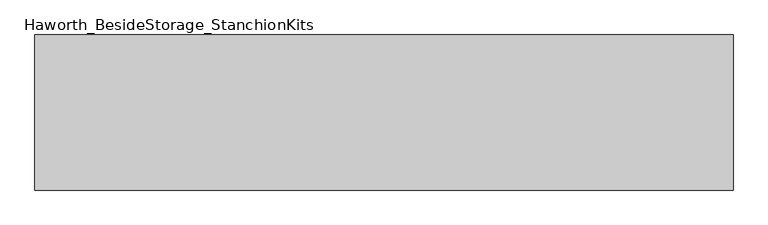
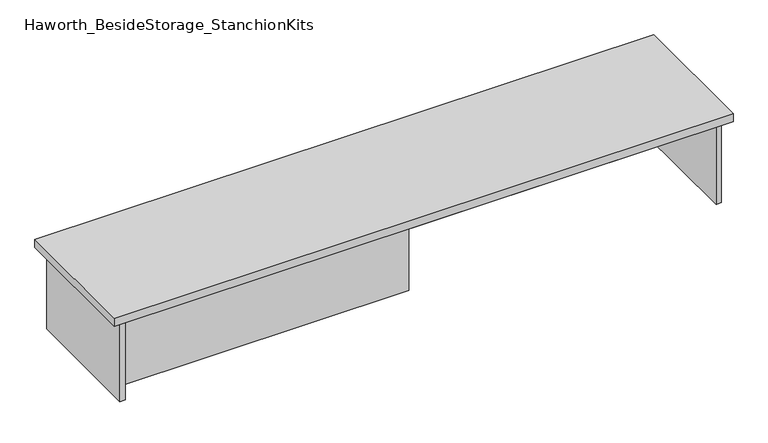
"""IFC4 building model written with IfcOpenShell, lengths in millimetres: furniture geometry, Haworth_BesideStorage_StanchionKits."""

import ifcopenshell
import ifcopenshell.guid

model = None  # the IFC model being written
_history = None  # IfcOwnerHistory: only IFC2X3 demands one
_inside = {}  # id of a spatial element -> (the spatial element, [elements in it])
_under = {}  # id of a project, library or spatial element -> (it, [spatial elements below it])
_declared = {}  # id of a project -> (the project, [libraries it declares])
_typed = {}  # id of a type object -> (the type object, [elements of that type])
_made_of = {}  # id of a material, layer set ... -> (it, [elements and type objects made of it])


def new_model(schema):
    """Start an empty IFC model of exactly this schema.

    Asked for "IFC4X3", IfcOpenShell would pick the latest addendum, in which some entities
    have other attributes; the version numbers below select the first issue.
    IFC2X3 requires an IfcOwnerHistory on every rooted entity: one is made here for all.
    """
    global model, _history
    if schema == "IFC4X3":
        model = ifcopenshell.file(schema_version=(4, 3, 0, 0))
    else:
        model = ifcopenshell.file(schema=schema)
    _inside.clear()
    _under.clear()
    _declared.clear()
    _typed.clear()
    _made_of.clear()
    _history = None
    if model.schema == "IFC2X3":
        org = make("IfcOrganization", Name="unknown")
        user = make(
            "IfcPersonAndOrganization",
            ThePerson=make("IfcPerson", FamilyName="unknown"),
            TheOrganization=org,
        )
        app = make(
            "IfcApplication",
            ApplicationDeveloper=org,
            Version="unknown",
            ApplicationFullName="unknown",
            ApplicationIdentifier="unknown",
        )
        _history = make(
            "IfcOwnerHistory",
            OwningUser=user,
            OwningApplication=app,
            ChangeAction="ADDED",
            CreationDate=0,
        )
    return model


def make(cls, **values):
    """One entity of the class cls with the attributes given. An attribute that is None is left unset."""
    return model.create_entity(
        cls, **{name: value for name, value in values.items() if value is not None}
    )


def rooted(cls, **values):
    """An entity with a GlobalId (a new one), such as an element, a storey or a relation."""
    return make(cls, GlobalId=ifcopenshell.guid.new(), OwnerHistory=_history, **values)


def si_unit(unit_type, name, prefix=None):
    """IfcSIUnit, for example si_unit("LENGTHUNIT", "METRE", prefix="MILLI")."""
    return make("IfcSIUnit", UnitType=unit_type, Prefix=prefix, Name=name)


def assignment(units):
    """IfcUnitAssignment: the units of a project."""
    return None if units is None else make("IfcUnitAssignment", Units=units)


def point(xyz):
    """IfcCartesianPoint."""
    return None if xyz is None else make("IfcCartesianPoint", Coordinates=xyz)


def direction(xyz):
    """IfcDirection."""
    return None if xyz is None else make("IfcDirection", DirectionRatios=xyz)


def frame(location, z_axis=None, x_axis=None):
    """IfcAxis2Placement3D, a coordinate frame: its origin and axes. An axis left out is left unset."""
    return make(
        "IfcAxis2Placement3D",
        Location=point(location),
        Axis=direction(z_axis),
        RefDirection=direction(x_axis),
    )


def origin():
    """The frame at (0, 0, 0) with its axes left unset."""
    return frame((0.0, 0.0, 0.0))


def place(relative_to, where):
    """IfcLocalPlacement: puts the frame where relative to a parent placement (None: the world)."""
    return make(
        "IfcLocalPlacement", PlacementRelTo=relative_to, RelativePlacement=where
    )


def context(
    kind, dimensions, precision=None, world=None, true_north=None, identifier=None
):
    """IfcGeometricRepresentationContext, for example the 3D "Model" context."""
    return make(
        "IfcGeometricRepresentationContext",
        ContextIdentifier=identifier,
        ContextType=kind,
        CoordinateSpaceDimension=dimensions,
        Precision=precision,
        WorldCoordinateSystem=world,
        TrueNorth=true_north,
    )


def project(units=None, contexts=None):
    """IfcProject with its units and contexts."""
    return rooted(
        "IfcProject",
        Name="project",
        RepresentationContexts=contexts,
        UnitsInContext=assignment(units),
    )


def spatial(cls, under=None, at=None, **own):
    """A site, building, storey or space (cls), placed at a placement, below another one or the project."""
    s = rooted(cls, ObjectPlacement=at, **own)
    if under is not None:
        _under.setdefault(under.id(), (under, []))[1].append(s)
    return s


def polyline(points):
    """IfcPolyline through the points."""
    return make("IfcPolyline", Points=[point(p) for p in points])


def outline(outer, holes=None, kind="AREA"):
    """IfcArbitraryClosedProfileDef: a profile drawn as a closed curve; with holes, ...WithVoids."""
    if holes is None:
        return make("IfcArbitraryClosedProfileDef", ProfileType=kind, OuterCurve=outer)
    return make(
        "IfcArbitraryProfileDefWithVoids",
        ProfileType=kind,
        OuterCurve=outer,
        InnerCurves=holes,
    )


def extrude(swept, where, along, depth):
    """IfcExtrudedAreaSolid: the profile swept, set in the frame where, extruded along a direction by depth."""
    return make(
        "IfcExtrudedAreaSolid",
        SweptArea=swept,
        Position=where,
        ExtrudedDirection=direction(along),
        Depth=depth,
    )


def shape(context_of_items, identifier, shape_type, items):
    """IfcShapeRepresentation: the items that make up one representation, for example the "Body"."""
    return make(
        "IfcShapeRepresentation",
        ContextOfItems=context_of_items,
        RepresentationIdentifier=identifier,
        RepresentationType=shape_type,
        Items=items,
    )


def source(mapping_origin, context_of_items, identifier, shape_type, items):
    """IfcRepresentationMap: a shape defined once, which mapped items show again and again."""
    return make(
        "IfcRepresentationMap",
        MappingOrigin=mapping_origin,
        MappedRepresentation=shape(context_of_items, identifier, shape_type, items),
    )


def transform(
    local_origin,
    x_axis=None,
    y_axis=None,
    z_axis=None,
    scale=None,
    scale2=None,
    scale3=None,
    uniform=True,
):
    """IfcCartesianTransformationOperator3D, or its non-uniform kind. x_axis, y_axis, z_axis: its Axis1, 2, 3."""
    if uniform:
        return make(
            "IfcCartesianTransformationOperator3D",
            Axis1=direction(x_axis),
            Axis2=direction(y_axis),
            LocalOrigin=point(local_origin),
            Scale=scale,
            Axis3=direction(z_axis),
        )
    return make(
        "IfcCartesianTransformationOperator3DnonUniform",
        Axis1=direction(x_axis),
        Axis2=direction(y_axis),
        LocalOrigin=point(local_origin),
        Scale=scale,
        Axis3=direction(z_axis),
        Scale2=scale2,
        Scale3=scale3,
    )


def mapped(mapping_source, mapping_target):
    """IfcMappedItem: shows the shape of a source again, moved by a transform."""
    return make(
        "IfcMappedItem", MappingSource=mapping_source, MappingTarget=mapping_target
    )


def made_of(thing, what):
    """Note that an element or type object is made of a material, layer set ...; save() writes the relation."""
    if what is not None:
        _made_of.setdefault(what.id(), (what, []))[1].append(thing)
    return thing


def element(
    cls,
    number,
    at=None,
    inside=None,
    cuts=None,
    type_object=None,
    material=None,
    context=None,
    identifier="Body",
    shape_type=None,
    held_by="IfcProductDefinitionShape",
    body=None,
    shapes=None,
    **own,
):
    """One element of the class cls, such as IfcWall. Its Tag is "e" and its number.

    at: its placement. inside: the storey or other place that contains it. cuts: it is an
    opening in that element (IfcRelVoidsElement). A single representation is given by context,
    identifier, shape_type and body (its items); several are given by shapes. held_by: the class
    of the entity that holds the representations. save() writes the other relations.
    """
    e = rooted(cls, Tag="e%d" % number, ObjectPlacement=at, **own)
    if body is not None:
        shapes = [shape(context, identifier, shape_type, body)]
    if shapes is not None:
        e.Representation = make(held_by, Representations=shapes)
    if inside is not None:
        _inside.setdefault(inside.id(), (inside, []))[1].append(e)
    if cuts is not None:
        rooted(
            "IfcRelVoidsElement", RelatingBuildingElement=cuts, RelatedOpeningElement=e
        )
    if type_object is not None:
        _typed.setdefault(type_object.id(), (type_object, []))[1].append(e)
    return made_of(e, material)


def aggregate(whole, parts):
    """IfcRelAggregates: a whole, such as a stair, and the parts it consists of."""
    return rooted("IfcRelAggregates", RelatingObject=whole, RelatedObjects=parts)


def save(model, path):
    """Write the relations noted so far, then the file.

    IfcRelAggregates (storeys below a building ...), IfcRelContainedInSpatialStructure (elements
    in a storey), IfcRelDefinesByType, IfcRelAssociatesMaterial and IfcRelDeclares: one each for
    every whole, place, type object, material and project.
    """
    for whole, parts in _under.values():
        aggregate(whole, parts)
    for where, things in _inside.values():
        rooted(
            "IfcRelContainedInSpatialStructure",
            RelatedElements=things,
            RelatingStructure=where,
        )
    for kind, things in _typed.values():
        rooted("IfcRelDefinesByType", RelatedObjects=things, RelatingType=kind)
    for what, things in _made_of.values():
        rooted("IfcRelAssociatesMaterial", RelatedObjects=things, RelatingMaterial=what)
    for by, libraries in _declared.values():
        rooted("IfcRelDeclares", RelatingContext=by, RelatedDefinitions=libraries)
    model.write(path)


def haworth_besidestorage_stanchionkits_477d3e7e(model_context):
    return source(origin(), model_context, "Body", "SweptSolid", [
        extrude(outline(polyline([(1076.325, 0.0), (1076.325, -406.4), (-752.475, -406.4), (-752.475, 0.0), (1076.325, 0.0)])), frame((0.0, 0.0, 685.8), z_axis=(0.0, 0.0, 1.0), x_axis=(1.0, 0.0, 0.0)), (0.0, 0.0, 1.0), 25.4),
        extrude(outline(polyline([(161.925, -76.2), (1035.05, -76.2), (1035.05, -92.075), (161.925, -92.075), (161.925, -76.2)])), frame((0.0, 0.0, 431.8), z_axis=(0.0, 0.0, 1.0), x_axis=(1.0, 0.0, 0.0)), (0.0, 0.0, 1.0), 254.0),
        extrude(outline(polyline([(161.925, -314.325), (161.925, -330.2), (-711.2, -330.2), (-711.2, -314.325), (161.925, -314.325)])), frame((0.0, 0.0, 431.8), z_axis=(0.0, 0.0, 1.0), x_axis=(1.0, 0.0, 0.0)), (0.0, 0.0, 1.0), 254.0),
        extrude(outline(polyline([(1050.925, -390.525), (1035.05, -390.525), (1035.05, -15.875), (1050.925, -15.875), (1050.925, -390.525)])), frame((0.0, 0.0, 431.8), z_axis=(0.0, 0.0, 1.0), x_axis=(1.0, 0.0, 0.0)), (0.0, 0.0, 1.0), 254.0),
        extrude(outline(polyline([(-711.2, -390.525), (-727.075, -390.525), (-727.075, -15.875), (-711.2, -15.875), (-711.2, -390.525)])), frame((0.0, 0.0, 431.8), z_axis=(0.0, 0.0, 1.0), x_axis=(1.0, 0.0, 0.0)), (0.0, 0.0, 1.0), 254.0),
    ])


if __name__ == "__main__":
    model = new_model("IFC4")
    model_context = context("Model", 3, world=origin())
    ifc_project = project(units=[si_unit("LENGTHUNIT", "METRE", prefix="MILLI")], contexts=[model_context])
    site = spatial("IfcSite", under=ifc_project)
    building = spatial("IfcBuilding", under=site)
    placement = place(None, origin())
    haworth_besidestorage_stanchionkits_shape = haworth_besidestorage_stanchionkits_477d3e7e(model_context)
    element("IfcFurniture", 1, ObjectType="Haworth_BesideStorage_StanchionKits", at=placement, inside=building, context=model_context, shape_type="MappedRepresentation", body=[
        mapped(haworth_besidestorage_stanchionkits_shape, transform((0.0, 0.0, 0.0), x_axis=(1.0, 0.0, 0.0), y_axis=(0.0, 1.0, 0.0), z_axis=(0.0, 0.0, 1.0))),
    ])
    save(model, "model.ifc")
